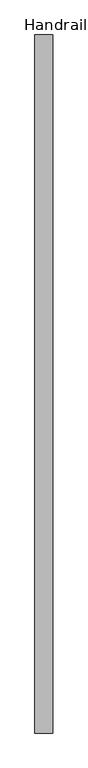
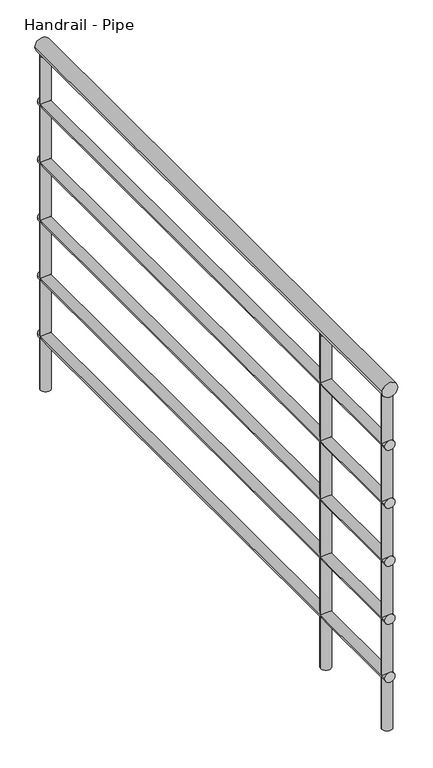
"""IFC4 building model written with IfcOpenShell, lengths in millimetres: railing geometry, Handrail - Pipe."""

import ifcopenshell
import ifcopenshell.guid

model = None  # the IFC model being written
_history = None  # IfcOwnerHistory: only IFC2X3 demands one
_inside = {}  # id of a spatial element -> (the spatial element, [elements in it])
_under = {}  # id of a project, library or spatial element -> (it, [spatial elements below it])
_declared = {}  # id of a project -> (the project, [libraries it declares])
_typed = {}  # id of a type object -> (the type object, [elements of that type])
_made_of = {}  # id of a material, layer set ... -> (it, [elements and type objects made of it])


def new_model(schema):
    """Start an empty IFC model of exactly this schema.

    Asked for "IFC4X3", IfcOpenShell would pick the latest addendum, in which some entities
    have other attributes; the version numbers below select the first issue.
    IFC2X3 requires an IfcOwnerHistory on every rooted entity: one is made here for all.
    """
    global model, _history
    if schema == "IFC4X3":
        model = ifcopenshell.file(schema_version=(4, 3, 0, 0))
    else:
        model = ifcopenshell.file(schema=schema)
    _inside.clear()
    _under.clear()
    _declared.clear()
    _typed.clear()
    _made_of.clear()
    _history = None
    if model.schema == "IFC2X3":
        org = make("IfcOrganization", Name="unknown")
        user = make(
            "IfcPersonAndOrganization",
            ThePerson=make("IfcPerson", FamilyName="unknown"),
            TheOrganization=org,
        )
        app = make(
            "IfcApplication",
            ApplicationDeveloper=org,
            Version="unknown",
            ApplicationFullName="unknown",
            ApplicationIdentifier="unknown",
        )
        _history = make(
            "IfcOwnerHistory",
            OwningUser=user,
            OwningApplication=app,
            ChangeAction="ADDED",
            CreationDate=0,
        )
    return model


def make(cls, **values):
    """One entity of the class cls with the attributes given. An attribute that is None is left unset."""
    return model.create_entity(
        cls, **{name: value for name, value in values.items() if value is not None}
    )


def rooted(cls, **values):
    """An entity with a GlobalId (a new one), such as an element, a storey or a relation."""
    return make(cls, GlobalId=ifcopenshell.guid.new(), OwnerHistory=_history, **values)


def si_unit(unit_type, name, prefix=None):
    """IfcSIUnit, for example si_unit("LENGTHUNIT", "METRE", prefix="MILLI")."""
    return make("IfcSIUnit", UnitType=unit_type, Prefix=prefix, Name=name)


def assignment(units):
    """IfcUnitAssignment: the units of a project."""
    return None if units is None else make("IfcUnitAssignment", Units=units)


def point(xyz):
    """IfcCartesianPoint."""
    return None if xyz is None else make("IfcCartesianPoint", Coordinates=xyz)


def direction(xyz):
    """IfcDirection."""
    return None if xyz is None else make("IfcDirection", DirectionRatios=xyz)


def frame(location, z_axis=None, x_axis=None):
    """IfcAxis2Placement3D, a coordinate frame: its origin and axes. An axis left out is left unset."""
    return make(
        "IfcAxis2Placement3D",
        Location=point(location),
        Axis=direction(z_axis),
        RefDirection=direction(x_axis),
    )


def frame_2d(location, x_axis=None):
    """IfcAxis2Placement2D, a coordinate frame in the plane: its origin and x axis."""
    return make(
        "IfcAxis2Placement2D", Location=point(location), RefDirection=direction(x_axis)
    )


def origin():
    """The frame at (0, 0, 0) with its axes left unset."""
    return frame((0.0, 0.0, 0.0))


def origin_with_axes():
    """The frame at (0, 0, 0) with the z axis (0, 0, 1) and the x axis (1, 0, 0) written out."""
    return frame((0.0, 0.0, 0.0), z_axis=(0.0, 0.0, 1.0), x_axis=(1.0, 0.0, 0.0))


def place(relative_to, where):
    """IfcLocalPlacement: puts the frame where relative to a parent placement (None: the world)."""
    return make(
        "IfcLocalPlacement", PlacementRelTo=relative_to, RelativePlacement=where
    )


def context(
    kind, dimensions, precision=None, world=None, true_north=None, identifier=None
):
    """IfcGeometricRepresentationContext, for example the 3D "Model" context."""
    return make(
        "IfcGeometricRepresentationContext",
        ContextIdentifier=identifier,
        ContextType=kind,
        CoordinateSpaceDimension=dimensions,
        Precision=precision,
        WorldCoordinateSystem=world,
        TrueNorth=true_north,
    )


def project(units=None, contexts=None):
    """IfcProject with its units and contexts."""
    return rooted(
        "IfcProject",
        Name="project",
        RepresentationContexts=contexts,
        UnitsInContext=assignment(units),
    )


def spatial(cls, under=None, at=None, **own):
    """A site, building, storey or space (cls), placed at a placement, below another one or the project."""
    s = rooted(cls, ObjectPlacement=at, **own)
    if under is not None:
        _under.setdefault(under.id(), (under, []))[1].append(s)
    return s


def circle_curve(where, radius):
    """IfcCircle in the frame where."""
    return make("IfcCircle", Position=where, Radius=radius)


def trimmed(basis, trim1, trim2, sense, master):
    """IfcTrimmedCurve: the piece of a basis curve between two trims."""
    return make(
        "IfcTrimmedCurve",
        BasisCurve=basis,
        Trim1=trim1,
        Trim2=trim2,
        SenseAgreement=sense,
        MasterRepresentation=master,
    )


def segment(curve, same_sense, transition):
    """IfcCompositeCurveSegment."""
    return make(
        "IfcCompositeCurveSegment",
        Transition=transition,
        SameSense=same_sense,
        ParentCurve=curve,
    )


def composite_curve(segments, self_intersect=None):
    """IfcCompositeCurve: segments joined end to end."""
    return make("IfcCompositeCurve", Segments=segments, SelfIntersect=self_intersect)


def outline(outer, holes=None, kind="AREA"):
    """IfcArbitraryClosedProfileDef: a profile drawn as a closed curve; with holes, ...WithVoids."""
    if holes is None:
        return make("IfcArbitraryClosedProfileDef", ProfileType=kind, OuterCurve=outer)
    return make(
        "IfcArbitraryProfileDefWithVoids",
        ProfileType=kind,
        OuterCurve=outer,
        InnerCurves=holes,
    )


def extrude(swept, where, along, depth):
    """IfcExtrudedAreaSolid: the profile swept, set in the frame where, extruded along a direction by depth."""
    return make(
        "IfcExtrudedAreaSolid",
        SweptArea=swept,
        Position=where,
        ExtrudedDirection=direction(along),
        Depth=depth,
    )


def shape(context_of_items, identifier, shape_type, items):
    """IfcShapeRepresentation: the items that make up one representation, for example the "Body"."""
    return make(
        "IfcShapeRepresentation",
        ContextOfItems=context_of_items,
        RepresentationIdentifier=identifier,
        RepresentationType=shape_type,
        Items=items,
    )


def source(mapping_origin, context_of_items, identifier, shape_type, items):
    """IfcRepresentationMap: a shape defined once, which mapped items show again and again."""
    return make(
        "IfcRepresentationMap",
        MappingOrigin=mapping_origin,
        MappedRepresentation=shape(context_of_items, identifier, shape_type, items),
    )


def transform(
    local_origin,
    x_axis=None,
    y_axis=None,
    z_axis=None,
    scale=None,
    scale2=None,
    scale3=None,
    uniform=True,
):
    """IfcCartesianTransformationOperator3D, or its non-uniform kind. x_axis, y_axis, z_axis: its Axis1, 2, 3."""
    if uniform:
        return make(
            "IfcCartesianTransformationOperator3D",
            Axis1=direction(x_axis),
            Axis2=direction(y_axis),
            LocalOrigin=point(local_origin),
            Scale=scale,
            Axis3=direction(z_axis),
        )
    return make(
        "IfcCartesianTransformationOperator3DnonUniform",
        Axis1=direction(x_axis),
        Axis2=direction(y_axis),
        LocalOrigin=point(local_origin),
        Scale=scale,
        Axis3=direction(z_axis),
        Scale2=scale2,
        Scale3=scale3,
    )


def mapped(mapping_source, mapping_target):
    """IfcMappedItem: shows the shape of a source again, moved by a transform."""
    return make(
        "IfcMappedItem", MappingSource=mapping_source, MappingTarget=mapping_target
    )


def made_of(thing, what):
    """Note that an element or type object is made of a material, layer set ...; save() writes the relation."""
    if what is not None:
        _made_of.setdefault(what.id(), (what, []))[1].append(thing)
    return thing


def element(
    cls,
    number,
    at=None,
    inside=None,
    cuts=None,
    type_object=None,
    material=None,
    context=None,
    identifier="Body",
    shape_type=None,
    held_by="IfcProductDefinitionShape",
    body=None,
    shapes=None,
    **own,
):
    """One element of the class cls, such as IfcWall. Its Tag is "e" and its number.

    at: its placement. inside: the storey or other place that contains it. cuts: it is an
    opening in that element (IfcRelVoidsElement). A single representation is given by context,
    identifier, shape_type and body (its items); several are given by shapes. held_by: the class
    of the entity that holds the representations. save() writes the other relations.
    """
    e = rooted(cls, Tag="e%d" % number, ObjectPlacement=at, **own)
    if body is not None:
        shapes = [shape(context, identifier, shape_type, body)]
    if shapes is not None:
        e.Representation = make(held_by, Representations=shapes)
    if inside is not None:
        _inside.setdefault(inside.id(), (inside, []))[1].append(e)
    if cuts is not None:
        rooted(
            "IfcRelVoidsElement", RelatingBuildingElement=cuts, RelatedOpeningElement=e
        )
    if type_object is not None:
        _typed.setdefault(type_object.id(), (type_object, []))[1].append(e)
    return made_of(e, material)


def aggregate(whole, parts):
    """IfcRelAggregates: a whole, such as a stair, and the parts it consists of."""
    return rooted("IfcRelAggregates", RelatingObject=whole, RelatedObjects=parts)


def save(model, path):
    """Write the relations noted so far, then the file.

    IfcRelAggregates (storeys below a building ...), IfcRelContainedInSpatialStructure (elements
    in a storey), IfcRelDefinesByType, IfcRelAssociatesMaterial and IfcRelDeclares: one each for
    every whole, place, type object, material and project.
    """
    for whole, parts in _under.values():
        aggregate(whole, parts)
    for where, things in _inside.values():
        rooted(
            "IfcRelContainedInSpatialStructure",
            RelatedElements=things,
            RelatingStructure=where,
        )
    for kind, things in _typed.values():
        rooted("IfcRelDefinesByType", RelatedObjects=things, RelatingType=kind)
    for what, things in _made_of.values():
        rooted("IfcRelAssociatesMaterial", RelatedObjects=things, RelatingMaterial=what)
    for by, libraries in _declared.values():
        rooted("IfcRelDeclares", RelatingContext=by, RelatedDefinitions=libraries)
    model.write(path)


def handrail_pipe_a607c360(model_context):
    return source(origin(), model_context, "Body", "SweptSolid", [
        extrude(outline(composite_curve([segment(trimmed(circle_curve(frame_2d((895.35, -9204.7521003)), 19.05), [point((895.35, -9185.7021003))], [point((895.35, -9223.8021003))], False, "CARTESIAN"), True, "CONTINUOUS"), segment(trimmed(circle_curve(frame_2d((895.35, -9204.7521003)), 19.05), [point((895.35, -9223.8021003))], [point((895.35, -9185.7021003))], False, "CARTESIAN"), True, "CONTINUOUS")], self_intersect=False)), frame((0.0, 27.1062192, 0.0), z_axis=(0.0, 1.0, 0.0), x_axis=(0.0, 0.0, 1.0)), (0.0, 0.0, 1.0), 1495.0),
        extrude(outline(composite_curve([segment(trimmed(circle_curve(frame_2d((749.3, -9204.7521003)), 12.7), [point((749.3, -9192.0521003))], [point((749.3, -9217.4521003))], False, "CARTESIAN"), True, "CONTINUOUS"), segment(trimmed(circle_curve(frame_2d((749.3, -9204.7521003)), 12.7), [point((749.3, -9217.4521003))], [point((749.3, -9192.0521003))], False, "CARTESIAN"), True, "CONTINUOUS")], self_intersect=False)), frame((0.0, 27.1062192, 0.0), z_axis=(0.0, 1.0, 0.0), x_axis=(0.0, 0.0, 1.0)), (0.0, 0.0, 1.0), 1495.0),
        extrude(outline(composite_curve([segment(trimmed(circle_curve(frame_2d((596.9, -9204.7521003)), 12.7), [point((596.9, -9192.0521003))], [point((596.9, -9217.4521003))], False, "CARTESIAN"), True, "CONTINUOUS"), segment(trimmed(circle_curve(frame_2d((596.9, -9204.7521003)), 12.7), [point((596.9, -9217.4521003))], [point((596.9, -9192.0521003))], False, "CARTESIAN"), True, "CONTINUOUS")], self_intersect=False)), frame((0.0, 27.1062192, 0.0), z_axis=(0.0, 1.0, 0.0), x_axis=(0.0, 0.0, 1.0)), (0.0, 0.0, 1.0), 1495.0),
        extrude(outline(composite_curve([segment(trimmed(circle_curve(frame_2d((444.5, -9204.7521003)), 12.7), [point((444.5, -9192.0521003))], [point((444.5, -9217.4521003))], False, "CARTESIAN"), True, "CONTINUOUS"), segment(trimmed(circle_curve(frame_2d((444.5, -9204.7521003)), 12.7), [point((444.5, -9217.4521003))], [point((444.5, -9192.0521003))], False, "CARTESIAN"), True, "CONTINUOUS")], self_intersect=False)), frame((0.0, 27.1062192, 0.0), z_axis=(0.0, 1.0, 0.0), x_axis=(0.0, 0.0, 1.0)), (0.0, 0.0, 1.0), 1495.0),
        extrude(outline(composite_curve([segment(trimmed(circle_curve(frame_2d((292.1, -9204.7521003)), 12.7), [point((292.1, -9192.0521003))], [point((292.1, -9217.4521003))], False, "CARTESIAN"), True, "CONTINUOUS"), segment(trimmed(circle_curve(frame_2d((292.1, -9204.7521003)), 12.7), [point((292.1, -9217.4521003))], [point((292.1, -9192.0521003))], False, "CARTESIAN"), True, "CONTINUOUS")], self_intersect=False)), frame((0.0, 27.1062192, 0.0), z_axis=(0.0, 1.0, 0.0), x_axis=(0.0, 0.0, 1.0)), (0.0, 0.0, 1.0), 1495.0),
        extrude(outline(composite_curve([segment(trimmed(circle_curve(frame_2d((139.7, -9204.7521003)), 12.7), [point((139.7, -9192.0521003))], [point((139.7, -9217.4521003))], False, "CARTESIAN"), True, "CONTINUOUS"), segment(trimmed(circle_curve(frame_2d((139.7, -9204.7521003)), 12.7), [point((139.7, -9217.4521003))], [point((139.7, -9192.0521003))], False, "CARTESIAN"), True, "CONTINUOUS")], self_intersect=False)), frame((0.0, 27.1062192, 0.0), z_axis=(0.0, 1.0, 0.0), x_axis=(0.0, 0.0, 1.0)), (0.0, 0.0, 1.0), 1495.0),
        extrude(outline(composite_curve([segment(trimmed(circle_curve(frame_2d((-9204.7521003, 302.9062192)), 12.7), [point((-9192.0521003, 302.9062192))], [point((-9217.4521003, 302.9062192))], False, "CARTESIAN"), True, "CONTINUOUS"), segment(trimmed(circle_curve(frame_2d((-9204.7521003, 302.9062192)), 12.7), [point((-9217.4521003, 302.9062192))], [point((-9192.0521003, 302.9062192))], False, "CARTESIAN"), True, "CONTINUOUS")], self_intersect=False)), origin_with_axes(), (0.0, 0.0, 1.0), 876.3),
        extrude(outline(composite_curve([segment(trimmed(circle_curve(frame_2d((-9204.7521003, 39.8062192)), 12.7), [point((-9192.0521003, 39.8062192))], [point((-9217.4521003, 39.8062192))], False, "CARTESIAN"), True, "CONTINUOUS"), segment(trimmed(circle_curve(frame_2d((-9204.7521003, 39.8062192)), 12.7), [point((-9217.4521003, 39.8062192))], [point((-9192.0521003, 39.8062192))], False, "CARTESIAN"), True, "CONTINUOUS")], self_intersect=False)), origin_with_axes(), (0.0, 0.0, 1.0), 876.3),
        extrude(outline(composite_curve([segment(trimmed(circle_curve(frame_2d((-9204.7521003, 1509.4062192)), 12.7), [point((-9192.0521003, 1509.4062192))], [point((-9217.4521003, 1509.4062192))], False, "CARTESIAN"), True, "CONTINUOUS"), segment(trimmed(circle_curve(frame_2d((-9204.7521003, 1509.4062192)), 12.7), [point((-9217.4521003, 1509.4062192))], [point((-9192.0521003, 1509.4062192))], False, "CARTESIAN"), True, "CONTINUOUS")], self_intersect=False)), origin_with_axes(), (0.0, 0.0, 1.0), 876.3),
    ])


if __name__ == "__main__":
    model = new_model("IFC4")
    model_context = context("Model", 3, world=origin())
    ifc_project = project(units=[si_unit("LENGTHUNIT", "METRE", prefix="MILLI")], contexts=[model_context])
    site = spatial("IfcSite", under=ifc_project)
    building = spatial("IfcBuilding", under=site)
    placement = place(None, origin())
    handrail_pipe_shape = handrail_pipe_a607c360(model_context)
    element("IfcRailing", 1, ObjectType="Handrail - Pipe", at=placement, inside=building, context=model_context, shape_type="MappedRepresentation", body=[
        mapped(handrail_pipe_shape, transform((0.0, 0.0, 0.0), x_axis=(1.0, 0.0, 0.0), y_axis=(0.0, 1.0, 0.0), z_axis=(0.0, 0.0, 1.0))),
    ])
    save(model, "model.ifc")
